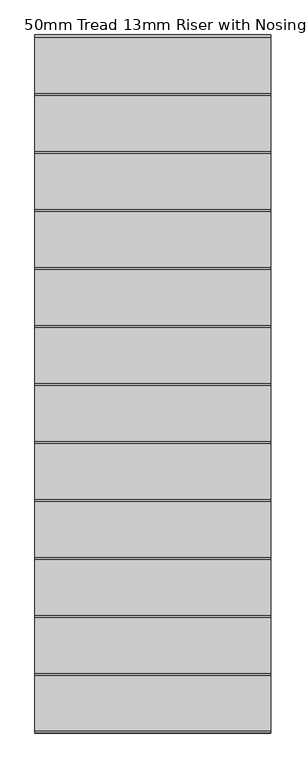
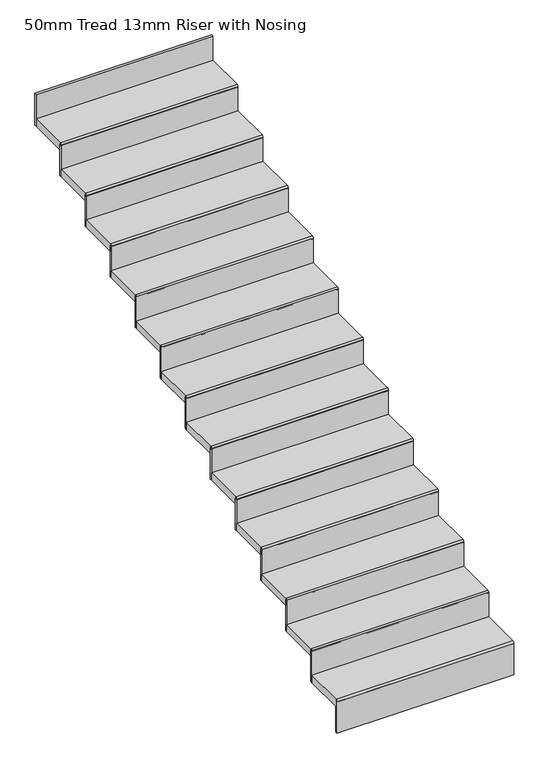
"""IFC4 building model written with IfcOpenShell, lengths in millimetres: stair flight geometry, 50mm Tread 13mm Riser with Nosing."""

import ifcopenshell
import ifcopenshell.guid

model = None  # the IFC model being written
_history = None  # IfcOwnerHistory: only IFC2X3 demands one
_inside = {}  # id of a spatial element -> (the spatial element, [elements in it])
_under = {}  # id of a project, library or spatial element -> (it, [spatial elements below it])
_declared = {}  # id of a project -> (the project, [libraries it declares])
_typed = {}  # id of a type object -> (the type object, [elements of that type])
_made_of = {}  # id of a material, layer set ... -> (it, [elements and type objects made of it])


def new_model(schema):
    """Start an empty IFC model of exactly this schema.

    Asked for "IFC4X3", IfcOpenShell would pick the latest addendum, in which some entities
    have other attributes; the version numbers below select the first issue.
    IFC2X3 requires an IfcOwnerHistory on every rooted entity: one is made here for all.
    """
    global model, _history
    if schema == "IFC4X3":
        model = ifcopenshell.file(schema_version=(4, 3, 0, 0))
    else:
        model = ifcopenshell.file(schema=schema)
    _inside.clear()
    _under.clear()
    _declared.clear()
    _typed.clear()
    _made_of.clear()
    _history = None
    if model.schema == "IFC2X3":
        org = make("IfcOrganization", Name="unknown")
        user = make(
            "IfcPersonAndOrganization",
            ThePerson=make("IfcPerson", FamilyName="unknown"),
            TheOrganization=org,
        )
        app = make(
            "IfcApplication",
            ApplicationDeveloper=org,
            Version="unknown",
            ApplicationFullName="unknown",
            ApplicationIdentifier="unknown",
        )
        _history = make(
            "IfcOwnerHistory",
            OwningUser=user,
            OwningApplication=app,
            ChangeAction="ADDED",
            CreationDate=0,
        )
    return model


def make(cls, **values):
    """One entity of the class cls with the attributes given. An attribute that is None is left unset."""
    return model.create_entity(
        cls, **{name: value for name, value in values.items() if value is not None}
    )


def rooted(cls, **values):
    """An entity with a GlobalId (a new one), such as an element, a storey or a relation."""
    return make(cls, GlobalId=ifcopenshell.guid.new(), OwnerHistory=_history, **values)


def si_unit(unit_type, name, prefix=None):
    """IfcSIUnit, for example si_unit("LENGTHUNIT", "METRE", prefix="MILLI")."""
    return make("IfcSIUnit", UnitType=unit_type, Prefix=prefix, Name=name)


def assignment(units):
    """IfcUnitAssignment: the units of a project."""
    return None if units is None else make("IfcUnitAssignment", Units=units)


def point(xyz):
    """IfcCartesianPoint."""
    return None if xyz is None else make("IfcCartesianPoint", Coordinates=xyz)


def direction(xyz):
    """IfcDirection."""
    return None if xyz is None else make("IfcDirection", DirectionRatios=xyz)


def frame(location, z_axis=None, x_axis=None):
    """IfcAxis2Placement3D, a coordinate frame: its origin and axes. An axis left out is left unset."""
    return make(
        "IfcAxis2Placement3D",
        Location=point(location),
        Axis=direction(z_axis),
        RefDirection=direction(x_axis),
    )


def frame_2d(location, x_axis=None):
    """IfcAxis2Placement2D, a coordinate frame in the plane: its origin and x axis."""
    return make(
        "IfcAxis2Placement2D", Location=point(location), RefDirection=direction(x_axis)
    )


def origin():
    """The frame at (0, 0, 0) with its axes left unset."""
    return frame((0.0, 0.0, 0.0))


def place(relative_to, where):
    """IfcLocalPlacement: puts the frame where relative to a parent placement (None: the world)."""
    return make(
        "IfcLocalPlacement", PlacementRelTo=relative_to, RelativePlacement=where
    )


def context(
    kind, dimensions, precision=None, world=None, true_north=None, identifier=None
):
    """IfcGeometricRepresentationContext, for example the 3D "Model" context."""
    return make(
        "IfcGeometricRepresentationContext",
        ContextIdentifier=identifier,
        ContextType=kind,
        CoordinateSpaceDimension=dimensions,
        Precision=precision,
        WorldCoordinateSystem=world,
        TrueNorth=true_north,
    )


def project(units=None, contexts=None):
    """IfcProject with its units and contexts."""
    return rooted(
        "IfcProject",
        Name="project",
        RepresentationContexts=contexts,
        UnitsInContext=assignment(units),
    )


def spatial(cls, under=None, at=None, **own):
    """A site, building, storey or space (cls), placed at a placement, below another one or the project."""
    s = rooted(cls, ObjectPlacement=at, **own)
    if under is not None:
        _under.setdefault(under.id(), (under, []))[1].append(s)
    return s


def polyline(points):
    """IfcPolyline through the points."""
    return make("IfcPolyline", Points=[point(p) for p in points])


def circle_curve(where, radius):
    """IfcCircle in the frame where."""
    return make("IfcCircle", Position=where, Radius=radius)


def trimmed(basis, trim1, trim2, sense, master):
    """IfcTrimmedCurve: the piece of a basis curve between two trims."""
    return make(
        "IfcTrimmedCurve",
        BasisCurve=basis,
        Trim1=trim1,
        Trim2=trim2,
        SenseAgreement=sense,
        MasterRepresentation=master,
    )


def segment(curve, same_sense, transition):
    """IfcCompositeCurveSegment."""
    return make(
        "IfcCompositeCurveSegment",
        Transition=transition,
        SameSense=same_sense,
        ParentCurve=curve,
    )


def composite_curve(segments, self_intersect=None):
    """IfcCompositeCurve: segments joined end to end."""
    return make("IfcCompositeCurve", Segments=segments, SelfIntersect=self_intersect)


def outline(outer, holes=None, kind="AREA"):
    """IfcArbitraryClosedProfileDef: a profile drawn as a closed curve; with holes, ...WithVoids."""
    if holes is None:
        return make("IfcArbitraryClosedProfileDef", ProfileType=kind, OuterCurve=outer)
    return make(
        "IfcArbitraryProfileDefWithVoids",
        ProfileType=kind,
        OuterCurve=outer,
        InnerCurves=holes,
    )


def extrude(swept, where, along, depth):
    """IfcExtrudedAreaSolid: the profile swept, set in the frame where, extruded along a direction by depth."""
    return make(
        "IfcExtrudedAreaSolid",
        SweptArea=swept,
        Position=where,
        ExtrudedDirection=direction(along),
        Depth=depth,
    )


def shape(context_of_items, identifier, shape_type, items):
    """IfcShapeRepresentation: the items that make up one representation, for example the "Body"."""
    return make(
        "IfcShapeRepresentation",
        ContextOfItems=context_of_items,
        RepresentationIdentifier=identifier,
        RepresentationType=shape_type,
        Items=items,
    )


def source(mapping_origin, context_of_items, identifier, shape_type, items):
    """IfcRepresentationMap: a shape defined once, which mapped items show again and again."""
    return make(
        "IfcRepresentationMap",
        MappingOrigin=mapping_origin,
        MappedRepresentation=shape(context_of_items, identifier, shape_type, items),
    )


def transform(
    local_origin,
    x_axis=None,
    y_axis=None,
    z_axis=None,
    scale=None,
    scale2=None,
    scale3=None,
    uniform=True,
):
    """IfcCartesianTransformationOperator3D, or its non-uniform kind. x_axis, y_axis, z_axis: its Axis1, 2, 3."""
    if uniform:
        return make(
            "IfcCartesianTransformationOperator3D",
            Axis1=direction(x_axis),
            Axis2=direction(y_axis),
            LocalOrigin=point(local_origin),
            Scale=scale,
            Axis3=direction(z_axis),
        )
    return make(
        "IfcCartesianTransformationOperator3DnonUniform",
        Axis1=direction(x_axis),
        Axis2=direction(y_axis),
        LocalOrigin=point(local_origin),
        Scale=scale,
        Axis3=direction(z_axis),
        Scale2=scale2,
        Scale3=scale3,
    )


def mapped(mapping_source, mapping_target):
    """IfcMappedItem: shows the shape of a source again, moved by a transform."""
    return make(
        "IfcMappedItem", MappingSource=mapping_source, MappingTarget=mapping_target
    )


def made_of(thing, what):
    """Note that an element or type object is made of a material, layer set ...; save() writes the relation."""
    if what is not None:
        _made_of.setdefault(what.id(), (what, []))[1].append(thing)
    return thing


def element(
    cls,
    number,
    at=None,
    inside=None,
    cuts=None,
    type_object=None,
    material=None,
    context=None,
    identifier="Body",
    shape_type=None,
    held_by="IfcProductDefinitionShape",
    body=None,
    shapes=None,
    **own,
):
    """One element of the class cls, such as IfcWall. Its Tag is "e" and its number.

    at: its placement. inside: the storey or other place that contains it. cuts: it is an
    opening in that element (IfcRelVoidsElement). A single representation is given by context,
    identifier, shape_type and body (its items); several are given by shapes. held_by: the class
    of the entity that holds the representations. save() writes the other relations.
    """
    e = rooted(cls, Tag="e%d" % number, ObjectPlacement=at, **own)
    if body is not None:
        shapes = [shape(context, identifier, shape_type, body)]
    if shapes is not None:
        e.Representation = make(held_by, Representations=shapes)
    if inside is not None:
        _inside.setdefault(inside.id(), (inside, []))[1].append(e)
    if cuts is not None:
        rooted(
            "IfcRelVoidsElement", RelatingBuildingElement=cuts, RelatedOpeningElement=e
        )
    if type_object is not None:
        _typed.setdefault(type_object.id(), (type_object, []))[1].append(e)
    return made_of(e, material)


def aggregate(whole, parts):
    """IfcRelAggregates: a whole, such as a stair, and the parts it consists of."""
    return rooted("IfcRelAggregates", RelatingObject=whole, RelatedObjects=parts)


def save(model, path):
    """Write the relations noted so far, then the file.

    IfcRelAggregates (storeys below a building ...), IfcRelContainedInSpatialStructure (elements
    in a storey), IfcRelDefinesByType, IfcRelAssociatesMaterial and IfcRelDeclares: one each for
    every whole, place, type object, material and project.
    """
    for whole, parts in _under.values():
        aggregate(whole, parts)
    for where, things in _inside.values():
        rooted(
            "IfcRelContainedInSpatialStructure",
            RelatedElements=things,
            RelatingStructure=where,
        )
    for kind, things in _typed.values():
        rooted("IfcRelDefinesByType", RelatedObjects=things, RelatingType=kind)
    for what, things in _made_of.values():
        rooted("IfcRelAssociatesMaterial", RelatedObjects=things, RelatingMaterial=what)
    for by, libraries in _declared.values():
        rooted("IfcRelDeclares", RelatingContext=by, RelatedDefinitions=libraries)
    model.write(path)


def stair_flight_50mm_tread_13mm_riser_with_nosing_5e419ea7(model_context):
    return source(origin(), model_context, "Body", "SweptSolid", [
        extrude(outline(composite_curve([segment(polyline([(-17878.3653686, 1400.0), (-17608.3653686, 1400.0), (-17608.3653686, 1350.0), (-17878.3653686, 1350.0), (-17878.3653686, 1380.0)]), True, "CONTINUOUS"), segment(trimmed(circle_curve(frame_2d((-17878.3653686, 1390.0)), 10.0), [point((-17878.3653686, 1380.0))], [point((-17878.3653686, 1400.0))], False, "CARTESIAN"), True, "CONTINUOUS")], self_intersect=False)), frame((-28055.7774415, 0.0, 0.0), z_axis=(1.0, 0.0, 0.0), x_axis=(0.0, 1.0, 0.0)), (0.0, 0.0, 1.0), 1140.0),
        extrude(outline(polyline([(-26915.7774415, -17875.8653686), (-26915.7774415, -17888.3653686), (-28055.7774415, -17888.3653686), (-28055.7774415, -17875.8653686), (-26915.7774415, -17875.8653686)])), frame((0.0, 0.0, 1175.0), z_axis=(0.0, 0.0, 1.0), x_axis=(1.0, 0.0, 0.0)), (0.0, 0.0, 1.0), 215.0),
        extrude(outline(polyline([(-26915.7774415, -17595.8653686), (-26915.7774415, -17608.3653686), (-28055.7774415, -17608.3653686), (-28055.7774415, -17595.8653686), (-26915.7774415, -17595.8653686)])), frame((0.0, 0.0, 1350.0), z_axis=(0.0, 0.0, 1.0), x_axis=(1.0, 0.0, 0.0)), (0.0, 0.0, 1.0), 215.0),
        extrude(outline(composite_curve([segment(polyline([(-17598.3653686, 1575.0), (-17328.3653686, 1575.0), (-17328.3653686, 1525.0), (-17598.3653686, 1525.0), (-17598.3653686, 1555.0)]), True, "CONTINUOUS"), segment(trimmed(circle_curve(frame_2d((-17598.3653686, 1565.0)), 10.0), [point((-17598.3653686, 1555.0))], [point((-17598.3653686, 1575.0))], False, "CARTESIAN"), True, "CONTINUOUS")], self_intersect=False)), frame((-28055.7774415, 0.0, 0.0), z_axis=(1.0, 0.0, 0.0), x_axis=(0.0, 1.0, 0.0)), (0.0, 0.0, 1.0), 1140.0),
        extrude(outline(polyline([(-26915.7774415, -17315.8653686), (-26915.7774415, -17328.3653686), (-28055.7774415, -17328.3653686), (-28055.7774415, -17315.8653686), (-26915.7774415, -17315.8653686)])), frame((0.0, 0.0, 1525.0), z_axis=(0.0, 0.0, 1.0), x_axis=(1.0, 0.0, 0.0)), (0.0, 0.0, 1.0), 215.0),
        extrude(outline(composite_curve([segment(polyline([(-17318.3653686, 1750.0), (-17048.3653686, 1750.0), (-17048.3653686, 1700.0), (-17318.3653686, 1700.0), (-17318.3653686, 1730.0)]), True, "CONTINUOUS"), segment(trimmed(circle_curve(frame_2d((-17318.3653686, 1740.0)), 10.0), [point((-17318.3653686, 1730.0))], [point((-17318.3653686, 1750.0))], False, "CARTESIAN"), True, "CONTINUOUS")], self_intersect=False)), frame((-28055.7774415, 0.0, 0.0), z_axis=(1.0, 0.0, 0.0), x_axis=(0.0, 1.0, 0.0)), (0.0, 0.0, 1.0), 1140.0),
        extrude(outline(polyline([(-26915.7774415, -17035.8653686), (-26915.7774415, -17048.3653686), (-28055.7774415, -17048.3653686), (-28055.7774415, -17035.8653686), (-26915.7774415, -17035.8653686)])), frame((0.0, 0.0, 1700.0), z_axis=(0.0, 0.0, 1.0), x_axis=(1.0, 0.0, 0.0)), (0.0, 0.0, 1.0), 215.0),
        extrude(outline(composite_curve([segment(polyline([(-17038.3653686, 1925.0), (-16768.3653686, 1925.0), (-16768.3653686, 1875.0), (-17038.3653686, 1875.0), (-17038.3653686, 1905.0)]), True, "CONTINUOUS"), segment(trimmed(circle_curve(frame_2d((-17038.3653686, 1915.0)), 10.0), [point((-17038.3653686, 1905.0))], [point((-17038.3653686, 1925.0))], False, "CARTESIAN"), True, "CONTINUOUS")], self_intersect=False)), frame((-28055.7774415, 0.0, 0.0), z_axis=(1.0, 0.0, 0.0), x_axis=(0.0, 1.0, 0.0)), (0.0, 0.0, 1.0), 1140.0),
        extrude(outline(polyline([(-26915.7774415, -16755.8653686), (-26915.7774415, -16768.3653686), (-28055.7774415, -16768.3653686), (-28055.7774415, -16755.8653686), (-26915.7774415, -16755.8653686)])), frame((0.0, 0.0, 1875.0), z_axis=(0.0, 0.0, 1.0), x_axis=(1.0, 0.0, 0.0)), (0.0, 0.0, 1.0), 215.0),
        extrude(outline(composite_curve([segment(polyline([(-16758.3653686, 2100.0), (-16488.3653686, 2100.0), (-16488.3653686, 2050.0), (-16758.3653686, 2050.0), (-16758.3653686, 2080.0)]), True, "CONTINUOUS"), segment(trimmed(circle_curve(frame_2d((-16758.3653686, 2090.0)), 10.0), [point((-16758.3653686, 2080.0))], [point((-16758.3653686, 2100.0))], False, "CARTESIAN"), True, "CONTINUOUS")], self_intersect=False)), frame((-28055.7774415, 0.0, 0.0), z_axis=(1.0, 0.0, 0.0), x_axis=(0.0, 1.0, 0.0)), (0.0, 0.0, 1.0), 1140.0),
        extrude(outline(polyline([(-26915.7774415, -16475.8653686), (-26915.7774415, -16488.3653686), (-28055.7774415, -16488.3653686), (-28055.7774415, -16475.8653686), (-26915.7774415, -16475.8653686)])), frame((0.0, 0.0, 2050.0), z_axis=(0.0, 0.0, 1.0), x_axis=(1.0, 0.0, 0.0)), (0.0, 0.0, 1.0), 215.0),
        extrude(outline(composite_curve([segment(polyline([(-16478.3653686, 2275.0), (-16208.3653686, 2275.0), (-16208.3653686, 2225.0), (-16478.3653686, 2225.0), (-16478.3653686, 2255.0)]), True, "CONTINUOUS"), segment(trimmed(circle_curve(frame_2d((-16478.3653686, 2265.0)), 10.0), [point((-16478.3653686, 2255.0))], [point((-16478.3653686, 2275.0))], False, "CARTESIAN"), True, "CONTINUOUS")], self_intersect=False)), frame((-28055.7774415, 0.0, 0.0), z_axis=(1.0, 0.0, 0.0), x_axis=(0.0, 1.0, 0.0)), (0.0, 0.0, 1.0), 1140.0),
        extrude(outline(polyline([(-26915.7774415, -16195.8653686), (-26915.7774415, -16208.3653686), (-28055.7774415, -16208.3653686), (-28055.7774415, -16195.8653686), (-26915.7774415, -16195.8653686)])), frame((0.0, 0.0, 2225.0), z_axis=(0.0, 0.0, 1.0), x_axis=(1.0, 0.0, 0.0)), (0.0, 0.0, 1.0), 215.0),
        extrude(outline(composite_curve([segment(polyline([(-16198.3653686, 2450.0), (-15928.3653686, 2450.0), (-15928.3653686, 2400.0), (-16198.3653686, 2400.0), (-16198.3653686, 2430.0)]), True, "CONTINUOUS"), segment(trimmed(circle_curve(frame_2d((-16198.3653686, 2440.0)), 10.0), [point((-16198.3653686, 2430.0))], [point((-16198.3653686, 2450.0))], False, "CARTESIAN"), True, "CONTINUOUS")], self_intersect=False)), frame((-28055.7774415, 0.0, 0.0), z_axis=(1.0, 0.0, 0.0), x_axis=(0.0, 1.0, 0.0)), (0.0, 0.0, 1.0), 1140.0),
        extrude(outline(polyline([(-26915.7774415, -15915.8653686), (-26915.7774415, -15928.3653686), (-28055.7774415, -15928.3653686), (-28055.7774415, -15915.8653686), (-26915.7774415, -15915.8653686)])), frame((0.0, 0.0, 2400.0), z_axis=(0.0, 0.0, 1.0), x_axis=(1.0, 0.0, 0.0)), (0.0, 0.0, 1.0), 215.0),
        extrude(outline(composite_curve([segment(polyline([(-15918.3653686, 2625.0), (-15648.3653686, 2625.0), (-15648.3653686, 2575.0), (-15918.3653686, 2575.0), (-15918.3653686, 2605.0)]), True, "CONTINUOUS"), segment(trimmed(circle_curve(frame_2d((-15918.3653686, 2615.0)), 10.0), [point((-15918.3653686, 2605.0))], [point((-15918.3653686, 2625.0))], False, "CARTESIAN"), True, "CONTINUOUS")], self_intersect=False)), frame((-28055.7774415, 0.0, 0.0), z_axis=(1.0, 0.0, 0.0), x_axis=(0.0, 1.0, 0.0)), (0.0, 0.0, 1.0), 1140.0),
        extrude(outline(polyline([(-26915.7774415, -15635.8653686), (-26915.7774415, -15648.3653686), (-28055.7774415, -15648.3653686), (-28055.7774415, -15635.8653686), (-26915.7774415, -15635.8653686)])), frame((0.0, 0.0, 2575.0), z_axis=(0.0, 0.0, 1.0), x_axis=(1.0, 0.0, 0.0)), (0.0, 0.0, 1.0), 215.0),
        extrude(outline(composite_curve([segment(polyline([(-15638.3653686, 2800.0), (-15368.3653686, 2800.0), (-15368.3653686, 2750.0), (-15638.3653686, 2750.0), (-15638.3653686, 2780.0)]), True, "CONTINUOUS"), segment(trimmed(circle_curve(frame_2d((-15638.3653686, 2790.0)), 10.0), [point((-15638.3653686, 2780.0))], [point((-15638.3653686, 2800.0))], False, "CARTESIAN"), True, "CONTINUOUS")], self_intersect=False)), frame((-28055.7774415, 0.0, 0.0), z_axis=(1.0, 0.0, 0.0), x_axis=(0.0, 1.0, 0.0)), (0.0, 0.0, 1.0), 1140.0),
        extrude(outline(polyline([(-26915.7774415, -15355.8653686), (-26915.7774415, -15368.3653686), (-28055.7774415, -15368.3653686), (-28055.7774415, -15355.8653686), (-26915.7774415, -15355.8653686)])), frame((0.0, 0.0, 2750.0), z_axis=(0.0, 0.0, 1.0), x_axis=(1.0, 0.0, 0.0)), (0.0, 0.0, 1.0), 215.0),
        extrude(outline(composite_curve([segment(polyline([(-15358.3653686, 2975.0), (-15088.3653686, 2975.0), (-15088.3653686, 2925.0), (-15358.3653686, 2925.0), (-15358.3653686, 2955.0)]), True, "CONTINUOUS"), segment(trimmed(circle_curve(frame_2d((-15358.3653686, 2965.0)), 10.0), [point((-15358.3653686, 2955.0))], [point((-15358.3653686, 2975.0))], False, "CARTESIAN"), True, "CONTINUOUS")], self_intersect=False)), frame((-28055.7774415, 0.0, 0.0), z_axis=(1.0, 0.0, 0.0), x_axis=(0.0, 1.0, 0.0)), (0.0, 0.0, 1.0), 1140.0),
        extrude(outline(polyline([(-26915.7774415, -15075.8653686), (-26915.7774415, -15088.3653686), (-28055.7774415, -15088.3653686), (-28055.7774415, -15075.8653686), (-26915.7774415, -15075.8653686)])), frame((0.0, 0.0, 2925.0), z_axis=(0.0, 0.0, 1.0), x_axis=(1.0, 0.0, 0.0)), (0.0, 0.0, 1.0), 215.0),
        extrude(outline(composite_curve([segment(polyline([(-15078.3653686, 3150.0), (-14808.3653686, 3150.0), (-14808.3653686, 3100.0), (-15078.3653686, 3100.0), (-15078.3653686, 3130.0)]), True, "CONTINUOUS"), segment(trimmed(circle_curve(frame_2d((-15078.3653686, 3140.0)), 10.0), [point((-15078.3653686, 3130.0))], [point((-15078.3653686, 3150.0))], False, "CARTESIAN"), True, "CONTINUOUS")], self_intersect=False)), frame((-28055.7774415, 0.0, 0.0), z_axis=(1.0, 0.0, 0.0), x_axis=(0.0, 1.0, 0.0)), (0.0, 0.0, 1.0), 1140.0),
        extrude(outline(polyline([(-26915.7774415, -14795.8653686), (-26915.7774415, -14808.3653686), (-28055.7774415, -14808.3653686), (-28055.7774415, -14795.8653686), (-26915.7774415, -14795.8653686)])), frame((0.0, 0.0, 3100.0), z_axis=(0.0, 0.0, 1.0), x_axis=(1.0, 0.0, 0.0)), (0.0, 0.0, 1.0), 215.0),
        extrude(outline(polyline([(-26915.7774415, -14515.8653686), (-26915.7774415, -14528.3653686), (-28055.7774415, -14528.3653686), (-28055.7774415, -14515.8653686), (-26915.7774415, -14515.8653686)])), frame((0.0, 0.0, 3275.0), z_axis=(0.0, 0.0, 1.0), x_axis=(1.0, 0.0, 0.0)), (0.0, 0.0, 1.0), 215.0),
        extrude(outline(composite_curve([segment(polyline([(-14798.3653686, 3325.0), (-14528.3653686, 3325.0), (-14528.3653686, 3275.0), (-14798.3653686, 3275.0), (-14798.3653686, 3305.0)]), True, "CONTINUOUS"), segment(trimmed(circle_curve(frame_2d((-14798.3653686, 3315.0)), 10.0), [point((-14798.3653686, 3305.0))], [point((-14798.3653686, 3325.0))], False, "CARTESIAN"), True, "CONTINUOUS")], self_intersect=False)), frame((-28055.7774415, 0.0, 0.0), z_axis=(1.0, 0.0, 0.0), x_axis=(0.0, 1.0, 0.0)), (0.0, 0.0, 1.0), 1140.0),
    ])


if __name__ == "__main__":
    model = new_model("IFC4")
    model_context = context("Model", 3, world=origin())
    ifc_project = project(units=[si_unit("LENGTHUNIT", "METRE", prefix="MILLI")], contexts=[model_context])
    site = spatial("IfcSite", under=ifc_project)
    building = spatial("IfcBuilding", under=site)
    placement = place(None, origin())
    stair_flight_50mm_tread_13mm_riser_with_nosing_shape = stair_flight_50mm_tread_13mm_riser_with_nosing_5e419ea7(model_context)
    element("IfcStairFlight", 1, ObjectType="50mm Tread 13mm Riser with Nosing", at=placement, inside=building, context=model_context, shape_type="MappedRepresentation", body=[
        mapped(stair_flight_50mm_tread_13mm_riser_with_nosing_shape, transform((0.0, 0.0, 0.0), x_axis=(1.0, 0.0, 0.0), y_axis=(0.0, 1.0, 0.0), z_axis=(0.0, 0.0, 1.0))),
    ])
    save(model, "model.ifc")
